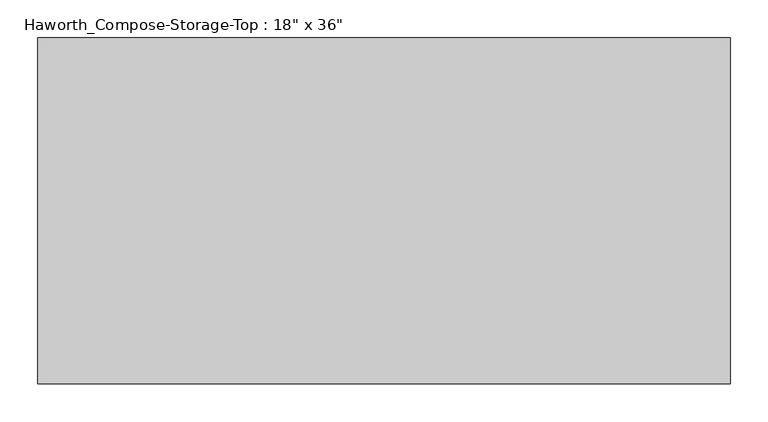
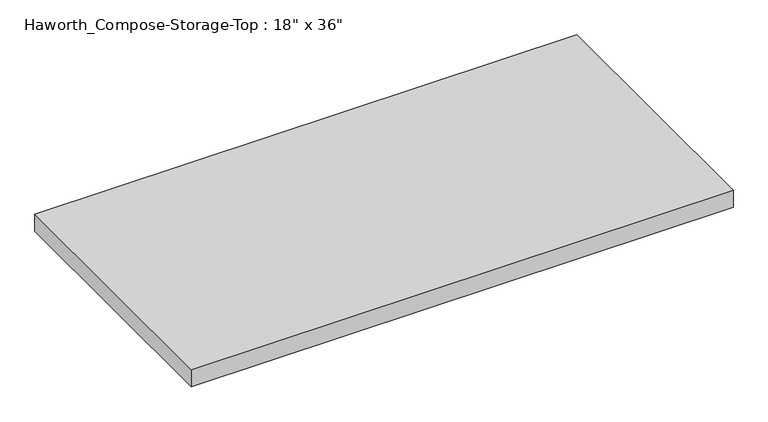
"""IFC4 building model written with IfcOpenShell, lengths in millimetres: furniture geometry."""

from ifc_helpers import new_model, si_unit, frame, origin, place, context, project, spatial, polyline, outline, extrude, source, transform, mapped, element, save


def furniture_c013632c(model_context):
    return source(origin(), model_context, "Body", "SweptSolid", [
        extrude(outline(polyline([(457.2, 228.6), (457.2, -228.6), (-457.2, -228.6), (-457.2, 228.6), (457.2, 228.6)])), frame((0.0, 0.0, 706.4375), z_axis=(0.0, 0.0, 1.0), x_axis=(1.0, 0.0, 0.0)), (0.0, 0.0, 1.0), 30.1625),
    ])


if __name__ == "__main__":
    model = new_model("IFC4")
    model_context = context("Model", 3, world=origin())
    ifc_project = project(units=[si_unit("LENGTHUNIT", "METRE", prefix="MILLI")], contexts=[model_context])
    site = spatial("IfcSite", under=ifc_project)
    building = spatial("IfcBuilding", under=site)
    placement = place(None, origin())
    furniture_shape = furniture_c013632c(model_context)
    element("IfcFurniture", 1, ObjectType="Haworth_Compose-Storage-Top : 18\" x 36\"", at=placement, inside=building, context=model_context, shape_type="MappedRepresentation", body=[
        mapped(furniture_shape, transform((0.0, 0.0, 0.0), x_axis=(1.0, 0.0, 0.0), y_axis=(0.0, 1.0, 0.0), z_axis=(0.0, 0.0, 1.0))),
    ])
    save(model, "model.ifc")
